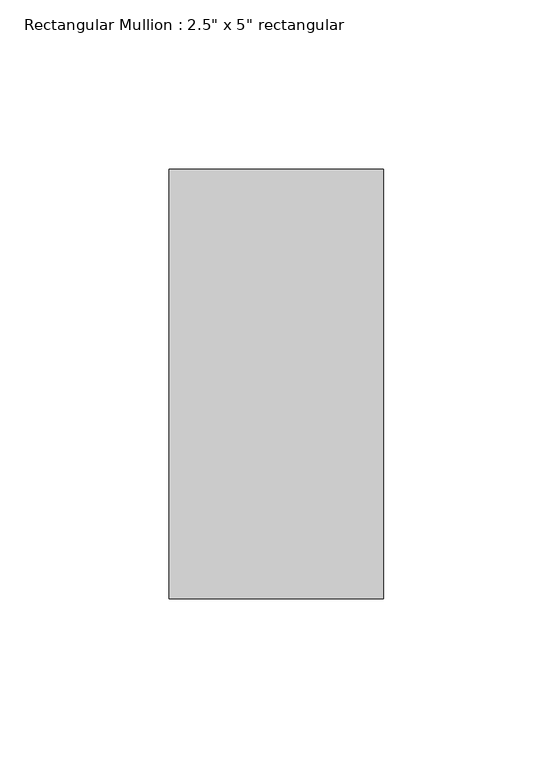
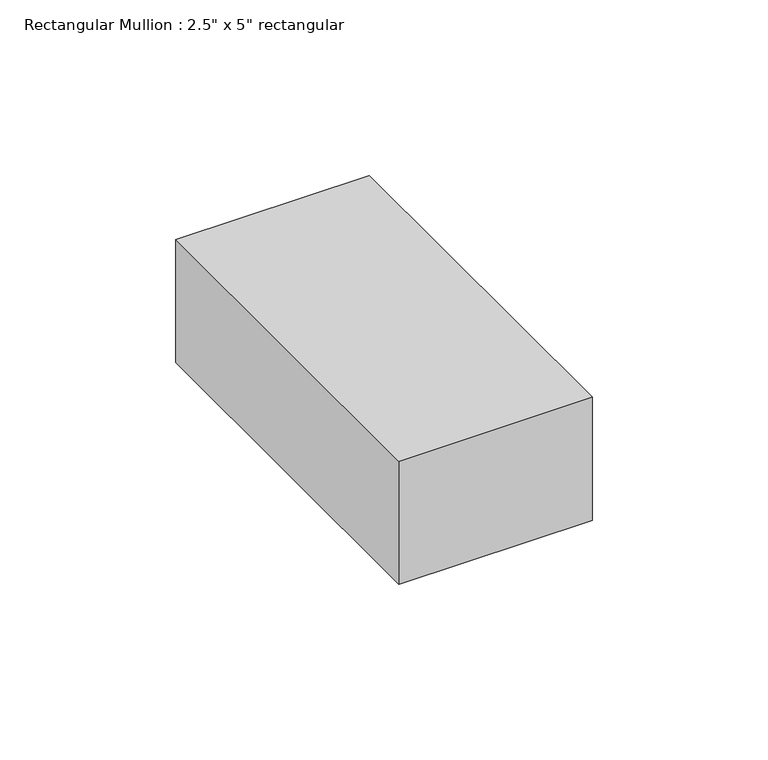
"""IFC4 building model written with IfcOpenShell, lengths in millimetres: member geometry."""

from ifc_helpers import new_model, si_unit, frame, origin, place, context, project, spatial, polyline, outline, extrude, source, transform, mapped, element, save


def member_68031256(model_context):
    return source(origin(), model_context, "Body", "SweptSolid", [
        extrude(outline(polyline([(0.0, 63.5), (0.0, -63.5), (-63.5, -63.5), (-63.5, 63.5), (0.0, 63.5)])), frame((0.0, 0.0, -42.8), z_axis=(0.0, 0.0, 1.0), x_axis=(1.0, 0.0, 0.0)), (0.0, 0.0, 1.0), 42.8),
    ])


if __name__ == "__main__":
    model = new_model("IFC4")
    model_context = context("Model", 3, world=origin())
    ifc_project = project(units=[si_unit("LENGTHUNIT", "METRE", prefix="MILLI")], contexts=[model_context])
    site = spatial("IfcSite", under=ifc_project)
    building = spatial("IfcBuilding", under=site)
    placement = place(None, origin())
    member_shape = member_68031256(model_context)
    element("IfcMember", 1, ObjectType="Rectangular Mullion : 2.5\" x 5\" rectangular", at=placement, inside=building, context=model_context, shape_type="MappedRepresentation", body=[
        mapped(member_shape, transform((0.0, 0.0, 0.0), x_axis=(1.0, 0.0, 0.0), y_axis=(0.0, 1.0, 0.0), z_axis=(0.0, 0.0, 1.0))),
    ])
    save(model, "model.ifc")
